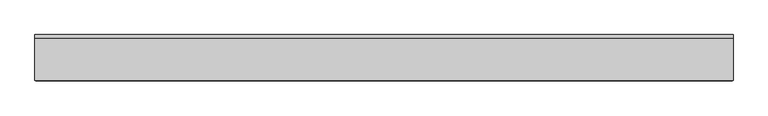
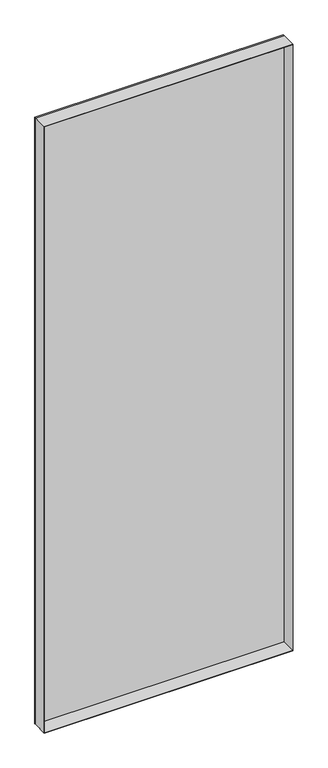
"""IFC4 building model written with IfcOpenShell, lengths in millimetres: plate geometry."""

from ifc_helpers import new_model, si_unit, frame, origin, origin_with_axes, place, context, project, spatial, polyline, outline, extrude, source, transform, mapped, element, save


def plate_73b52766(model_context):
    return source(origin(), model_context, "Body", "SweptSolid", [
        extrude(outline(polyline([(2915.0, -566.1428573), (0.0, -566.1428573), (0.0, 566.1428573), (2915.0, 566.1428573), (2915.0, -566.1428573)]), holes=[polyline([(2914.0, -565.1428573), (2914.0, 565.1428573), (1.0, 565.1428573), (1.0, -565.1428573), (2914.0, -565.1428573)])]), frame((0.0, -37.2, 0.0), z_axis=(0.0, 1.0, 0.0), x_axis=(0.0, 0.0, 1.0)), (0.0, 0.0, 1.0), 68.4),
        extrude(outline(polyline([(566.1428573, 31.2), (-566.1428573, 31.2), (-566.1428573, 37.2), (566.1428573, 37.2), (566.1428573, 31.2)])), origin_with_axes(), (0.0, 0.0, 1.0), 2915.0),
    ])


if __name__ == "__main__":
    model = new_model("IFC4")
    model_context = context("Model", 3, world=origin())
    ifc_project = project(units=[si_unit("LENGTHUNIT", "METRE", prefix="MILLI")], contexts=[model_context])
    site = spatial("IfcSite", under=ifc_project)
    building = spatial("IfcBuilding", under=site)
    placement = place(None, origin())
    plate_shape = plate_73b52766(model_context)
    element("IfcPlate", 1, at=placement, inside=building, context=model_context, shape_type="MappedRepresentation", body=[
        mapped(plate_shape, transform((0.0, 0.0, 0.0), x_axis=(1.0, 0.0, 0.0), y_axis=(0.0, 1.0, 0.0), z_axis=(0.0, 0.0, 1.0))),
    ])
    save(model, "model.ifc")
